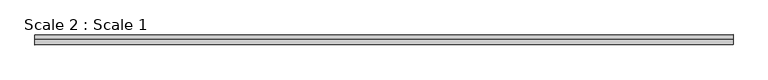
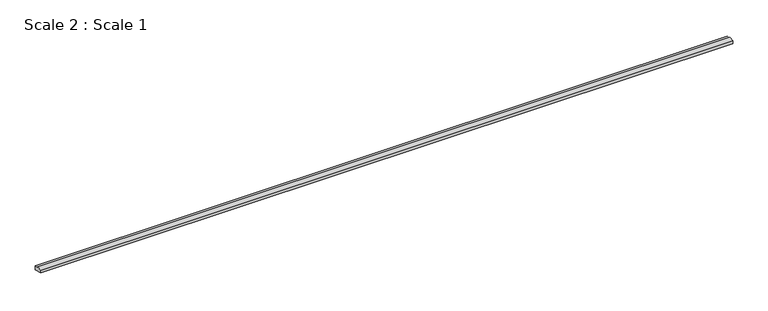
"""IFC4 building model written with IfcOpenShell, lengths in millimetres: stair geometry, Scale 2 : Scale 1."""

from ifc_helpers import new_model, si_unit, origin, place, context, project, spatial, faceted_brep, source, transform, mapped, element, save


def scale_2_scale_1_28d9f1ad(model_context):
    return source(origin(), model_context, "Body", "Brep", [
        faceted_brep([(6932.2309995, 104179.0775635, -2724.6714879), (6932.2309995, 104179.0775635, -3120.9729552), (6932.2309995, 103295.5898704, -2864.3105161), (6932.2309995, 103295.5898704, -2590.7420878), (6932.2309995, 103776.5938803, -2590.7420878), (6932.2309995, 103776.5938803, -2724.6714879), (68848.4531982, 104226.2860711, -2699.3425259), (68848.4531982, 103828.8023879, -2699.3425259), (68848.4531982, 103828.8023879, -2550.4131259), (68848.4531982, 103347.798378, -2550.4131259), (68848.4531982, 103347.798378, -2873.9815542), (68848.4531982, 104226.2860711, -3129.1914409)], [[[0, 1, 2, 3, 4, 5]], [[6, 7, 8, 9, 10, 11]], [[6, 11, 1, 0]], [[11, 10, 2, 1]], [[10, 9, 3, 2]], [[9, 8, 4, 3]], [[8, 7, 5, 4]], [[7, 6, 0, 5]]]),
    ])


if __name__ == "__main__":
    model = new_model("IFC4")
    model_context = context("Model", 3, world=origin())
    ifc_project = project(units=[si_unit("LENGTHUNIT", "METRE", prefix="MILLI")], contexts=[model_context])
    site = spatial("IfcSite", under=ifc_project)
    building = spatial("IfcBuilding", under=site)
    placement = place(None, origin())
    scale_2_scale_1_shape = scale_2_scale_1_28d9f1ad(model_context)
    element("IfcStair", 1, ObjectType="Scale 2 : Scale 1", at=placement, inside=building, context=model_context, shape_type="MappedRepresentation", body=[
        mapped(scale_2_scale_1_shape, transform((0.0, 0.0, 0.0), x_axis=(1.0, 0.0, 0.0), y_axis=(0.0, 1.0, 0.0), z_axis=(0.0, 0.0, 1.0))),
    ])
    save(model, "model.ifc")
